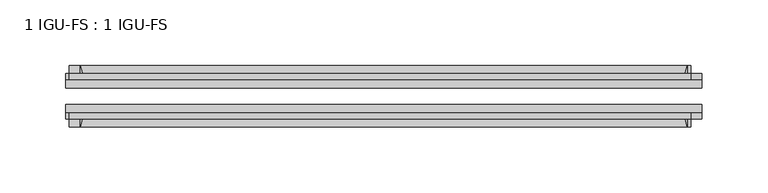
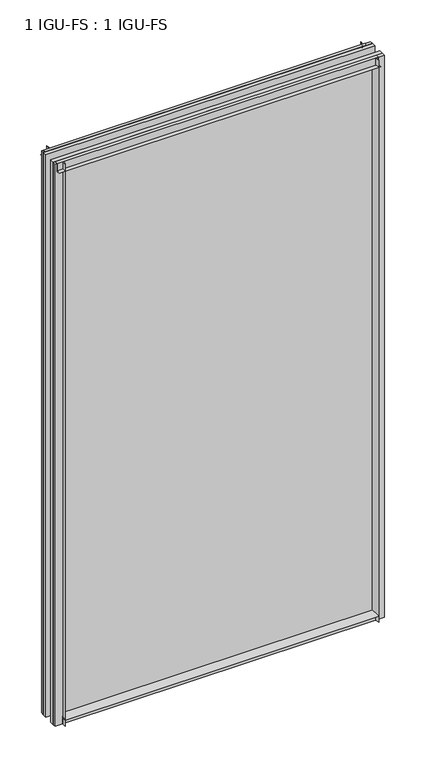
"""IFC4 building model written with IfcOpenShell, lengths in millimetres: plate geometry, 1 IGU-FS : 1 IGU-FS."""

from ifc_helpers import new_model, si_unit, point, frame, frame_2d, origin, place, context, project, spatial, polyline, circle_curve, trimmed, segment, composite_curve, outline, extrude, source, transform, mapped, element, save


def plate_1_igu_fs_1_igu_fs_515e6fd7(model_context):
    return source(origin(), model_context, "Body", "SweptSolid", [
        extrude(outline(composite_curve([segment(polyline([(-44.859575, -9.525), (-44.859575, 0.0), (-50.8285753, 0.0)]), True, "CONTINUOUS"), segment(trimmed(circle_curve(frame_2d((-56.4601953, 32.279754)), 32.7673262), [point((-50.8285753, 0.0))], [point((-40.084375, 3.8978906))], True, "CARTESIAN"), True, "CONTINUOUS"), segment(polyline([(-40.084375, 3.8978906), (-40.084375, -9.525), (-44.859575, -9.525)]), True, "CONTINUOUS")], self_intersect=False)), frame((-231.2299583, 0.0, 0.0), z_axis=(1.0, 0.0, 0.0), x_axis=(0.0, 1.0, 0.0)), (0.0, 0.0, 1.0), 462.4599167),
        extrude(outline(composite_curve([segment(polyline([(-9.909175, -9.525), (-14.684375, -9.525), (-14.684375, 3.8978906)]), True, "CONTINUOUS"), segment(trimmed(circle_curve(frame_2d((1.6914453, 32.279754)), 32.7673262), [point((-14.684375, 3.8978906))], [point((-3.9401747, 0.0))], True, "CARTESIAN"), True, "CONTINUOUS"), segment(polyline([(-3.9401747, 0.0), (-9.909175, 0.0), (-9.909175, -9.525)]), True, "CONTINUOUS")], self_intersect=False)), frame((-231.2299583, 0.0, 0.0), z_axis=(1.0, 0.0, 0.0), x_axis=(0.0, 1.0, 0.0)), (0.0, 0.0, 1.0), 462.4599167),
        extrude(outline(composite_curve([segment(polyline([(-9.909175, 865.1875), (-9.909175, 854.075), (-3.9401753, 854.075)]), True, "CONTINUOUS"), segment(trimmed(circle_curve(frame_2d((1.6914453, 821.7952461)), 32.7673262), [point((-3.9401753, 854.075))], [point((-14.684375, 850.1771095))], True, "CARTESIAN"), True, "CONTINUOUS"), segment(polyline([(-14.684375, 850.1771095), (-14.684375, 865.1875), (-9.909175, 865.1875)]), True, "CONTINUOUS")], self_intersect=False)), frame((-239.742697, 0.0, 0.0), z_axis=(1.0, 0.0, 0.0), x_axis=(0.0, 1.0, 0.0)), (0.0, 0.0, 1.0), 473.5186168),
        extrude(outline(composite_curve([segment(polyline([(-40.084375, 865.1875), (-40.084375, 850.1771095)]), True, "CONTINUOUS"), segment(trimmed(circle_curve(frame_2d((-56.4601953, 821.7952461)), 32.7673262), [point((-40.084375, 850.1771095))], [point((-50.8285747, 854.075))], True, "CARTESIAN"), True, "CONTINUOUS"), segment(polyline([(-50.8285747, 854.075), (-44.859575, 854.075), (-44.859575, 865.1875), (-40.084375, 865.1875)]), True, "CONTINUOUS")], self_intersect=False)), frame((-239.742697, 0.0, 0.0), z_axis=(1.0, 0.0, 0.0), x_axis=(0.0, 1.0, 0.0)), (0.0, 0.0, 1.0), 473.5186168),
        extrude(outline(composite_curve([segment(polyline([(242.3424583, -9.909175), (242.3424583, -14.684375), (227.3320678, -14.684375)]), True, "CONTINUOUS"), segment(trimmed(circle_curve(frame_2d((198.9502044, 1.6914453)), 32.7673262), [point((227.3320678, -14.684375))], [point((231.2299583, -3.940175))], True, "CARTESIAN"), True, "CONTINUOUS"), segment(polyline([(231.2299583, -3.940175), (231.2299583, -9.909175), (242.3424583, -9.909175)]), True, "CONTINUOUS")], self_intersect=False)), frame((0.0, 0.0, -9.525), z_axis=(0.0, 0.0, 1.0), x_axis=(1.0, 0.0, 0.0)), (0.0, 0.0, 1.0), 874.7125),
        extrude(outline(composite_curve([segment(polyline([(242.3424583, -40.084375), (242.3424583, -44.859575), (231.2299583, -44.859575), (231.2299583, -50.828575)]), True, "CONTINUOUS"), segment(trimmed(circle_curve(frame_2d((198.9502044, -56.4601953)), 32.7673262), [point((231.2299583, -50.828575))], [point((227.3320678, -40.084375))], True, "CARTESIAN"), True, "CONTINUOUS"), segment(polyline([(227.3320678, -40.084375), (242.3424583, -40.084375)]), True, "CONTINUOUS")], self_intersect=False)), frame((0.0, 0.0, -9.525), z_axis=(0.0, 0.0, 1.0), x_axis=(1.0, 0.0, 0.0)), (0.0, 0.0, 1.0), 874.7125),
        extrude(outline(composite_curve([segment(polyline([(-242.3424583, -9.909175), (-231.2299583, -9.909175), (-231.2299583, -3.940175)]), True, "CONTINUOUS"), segment(trimmed(circle_curve(frame_2d((-198.9502044, 1.6914453)), 32.7673262), [point((-231.2299583, -3.940175))], [point((-227.3320678, -14.684375))], True, "CARTESIAN"), True, "CONTINUOUS"), segment(polyline([(-227.3320678, -14.684375), (-242.3424583, -14.684375), (-242.3424583, -9.909175)]), True, "CONTINUOUS")], self_intersect=False)), frame((0.0, 0.0, -9.525), z_axis=(0.0, 0.0, 1.0), x_axis=(1.0, 0.0, 0.0)), (0.0, 0.0, 1.0), 874.7125),
        extrude(outline(composite_curve([segment(polyline([(-242.3424583, -44.859575), (-242.3424583, -40.084375), (-227.3320678, -40.084375)]), True, "CONTINUOUS"), segment(trimmed(circle_curve(frame_2d((-198.9502044, -56.4601953)), 32.7673262), [point((-227.3320678, -40.084375))], [point((-231.2299583, -50.828575))], True, "CARTESIAN"), True, "CONTINUOUS"), segment(polyline([(-231.2299583, -50.828575), (-231.2299583, -44.859575), (-242.3424583, -44.859575)]), True, "CONTINUOUS")], self_intersect=False)), frame((0.0, 0.0, -9.525), z_axis=(0.0, 0.0, 1.0), x_axis=(1.0, 0.0, 0.0)), (0.0, 0.0, 1.0), 874.7125),
        extrude(outline(polyline([(-242.3424583, -40.084375), (-242.3424583, -33.785175), (242.3424583, -33.785175), (242.3424583, -40.084375), (-242.3424583, -40.084375)])), frame((0.0, 0.0, -9.525), z_axis=(0.0, 0.0, 1.0), x_axis=(1.0, 0.0, 0.0)), (0.0, 0.0, 1.0), 874.7125),
        extrude(outline(polyline([(242.3424583, -20.983575), (-242.3424583, -20.983575), (-242.3424583, -14.684375), (242.3424583, -14.684375), (242.3424583, -20.983575)])), frame((0.0, 0.0, -9.525), z_axis=(0.0, 0.0, 1.0), x_axis=(1.0, 0.0, 0.0)), (0.0, 0.0, 1.0), 874.7125),
    ])


if __name__ == "__main__":
    model = new_model("IFC4")
    model_context = context("Model", 3, world=origin())
    ifc_project = project(units=[si_unit("LENGTHUNIT", "METRE", prefix="MILLI")], contexts=[model_context])
    site = spatial("IfcSite", under=ifc_project)
    building = spatial("IfcBuilding", under=site)
    placement = place(None, origin())
    plate_1_igu_fs_1_igu_fs_shape = plate_1_igu_fs_1_igu_fs_515e6fd7(model_context)
    element("IfcPlate", 1, ObjectType="1 IGU-FS : 1 IGU-FS", at=placement, inside=building, context=model_context, shape_type="MappedRepresentation", body=[
        mapped(plate_1_igu_fs_1_igu_fs_shape, transform((0.0, 0.0, 0.0), x_axis=(1.0, 0.0, 0.0), y_axis=(0.0, 1.0, 0.0), z_axis=(0.0, 0.0, 1.0))),
    ])
    save(model, "model.ifc")
